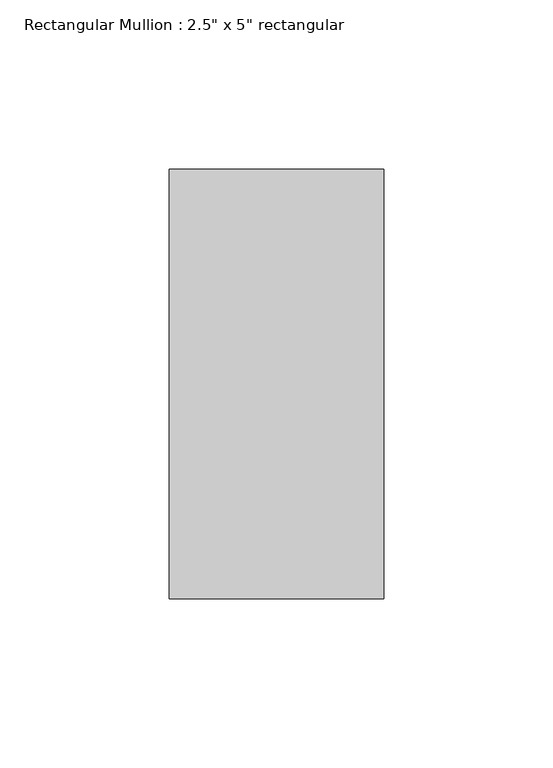
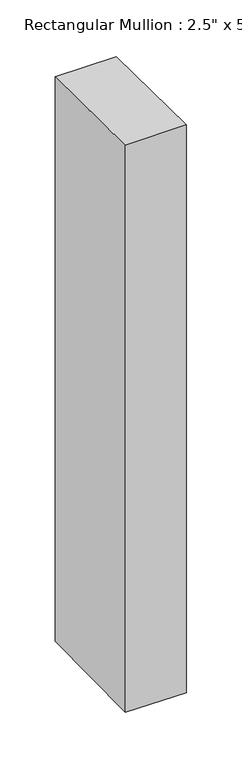
"""IFC4 building model written with IfcOpenShell, lengths in millimetres: member geometry."""

from ifc_helpers import new_model, si_unit, origin, place, context, project, spatial, faceted_brep, source, transform, mapped, element, save


def member_1580a281(model_context):
    return source(origin(), model_context, "Body", "Brep", [
        faceted_brep([(-63.5, 63.5, -0.8885491), (0.0, 63.5, -0.7361284), (0.0, 63.5, -624.6853796), (-63.5, 63.5, -624.3625688), (-63.5, -63.5, 0.5837078), (-63.5, -63.5, -625.8398546), (0.0, -63.5, 0.7361284), (0.0, -63.5, -626.1626654)], [[[0, 1, 2, 3]], [[4, 0, 3, 5]], [[6, 4, 5, 7]], [[1, 6, 7, 2]], [[1, 0, 4, 6]], [[2, 7, 5, 3]]]),
    ])


if __name__ == "__main__":
    model = new_model("IFC4")
    model_context = context("Model", 3, world=origin())
    ifc_project = project(units=[si_unit("LENGTHUNIT", "METRE", prefix="MILLI")], contexts=[model_context])
    site = spatial("IfcSite", under=ifc_project)
    building = spatial("IfcBuilding", under=site)
    placement = place(None, origin())
    member_shape = member_1580a281(model_context)
    element("IfcMember", 1, ObjectType="Rectangular Mullion : 2.5\" x 5\" rectangular", at=placement, inside=building, context=model_context, shape_type="MappedRepresentation", body=[
        mapped(member_shape, transform((0.0, 0.0, 0.0), x_axis=(1.0, 0.0, 0.0), y_axis=(0.0, 1.0, 0.0), z_axis=(0.0, 0.0, 1.0))),
    ])
    save(model, "model.ifc")
